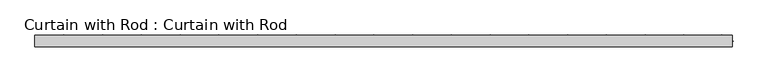
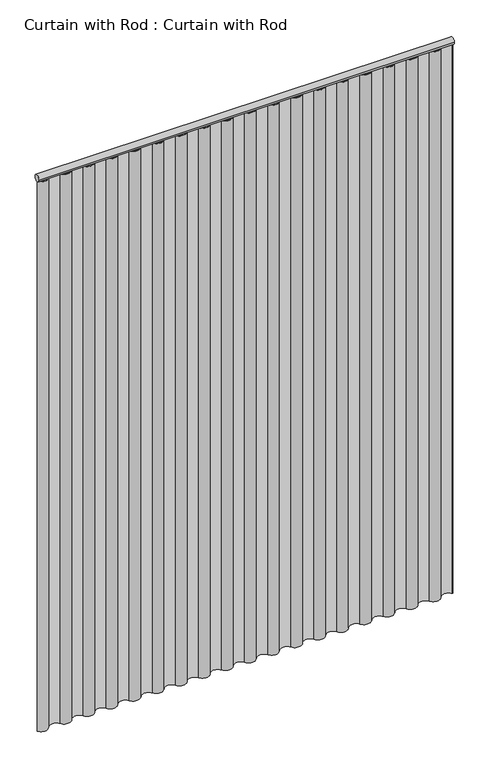
"""IFC4 building model written with IfcOpenShell, lengths in millimetres: proxy geometry, Curtain with Rod : Curtain with Rod."""

import ifcopenshell
import ifcopenshell.guid

model = None  # the IFC model being written
_history = None  # IfcOwnerHistory: only IFC2X3 demands one
_inside = {}  # id of a spatial element -> (the spatial element, [elements in it])
_under = {}  # id of a project, library or spatial element -> (it, [spatial elements below it])
_declared = {}  # id of a project -> (the project, [libraries it declares])
_typed = {}  # id of a type object -> (the type object, [elements of that type])
_made_of = {}  # id of a material, layer set ... -> (it, [elements and type objects made of it])


def new_model(schema):
    """Start an empty IFC model of exactly this schema.

    Asked for "IFC4X3", IfcOpenShell would pick the latest addendum, in which some entities
    have other attributes; the version numbers below select the first issue.
    IFC2X3 requires an IfcOwnerHistory on every rooted entity: one is made here for all.
    """
    global model, _history
    if schema == "IFC4X3":
        model = ifcopenshell.file(schema_version=(4, 3, 0, 0))
    else:
        model = ifcopenshell.file(schema=schema)
    _inside.clear()
    _under.clear()
    _declared.clear()
    _typed.clear()
    _made_of.clear()
    _history = None
    if model.schema == "IFC2X3":
        org = make("IfcOrganization", Name="unknown")
        user = make(
            "IfcPersonAndOrganization",
            ThePerson=make("IfcPerson", FamilyName="unknown"),
            TheOrganization=org,
        )
        app = make(
            "IfcApplication",
            ApplicationDeveloper=org,
            Version="unknown",
            ApplicationFullName="unknown",
            ApplicationIdentifier="unknown",
        )
        _history = make(
            "IfcOwnerHistory",
            OwningUser=user,
            OwningApplication=app,
            ChangeAction="ADDED",
            CreationDate=0,
        )
    return model


def make(cls, **values):
    """One entity of the class cls with the attributes given. An attribute that is None is left unset."""
    return model.create_entity(
        cls, **{name: value for name, value in values.items() if value is not None}
    )


def rooted(cls, **values):
    """An entity with a GlobalId (a new one), such as an element, a storey or a relation."""
    return make(cls, GlobalId=ifcopenshell.guid.new(), OwnerHistory=_history, **values)


def si_unit(unit_type, name, prefix=None):
    """IfcSIUnit, for example si_unit("LENGTHUNIT", "METRE", prefix="MILLI")."""
    return make("IfcSIUnit", UnitType=unit_type, Prefix=prefix, Name=name)


def assignment(units):
    """IfcUnitAssignment: the units of a project."""
    return None if units is None else make("IfcUnitAssignment", Units=units)


def point(xyz):
    """IfcCartesianPoint."""
    return None if xyz is None else make("IfcCartesianPoint", Coordinates=xyz)


def direction(xyz):
    """IfcDirection."""
    return None if xyz is None else make("IfcDirection", DirectionRatios=xyz)


def frame(location, z_axis=None, x_axis=None):
    """IfcAxis2Placement3D, a coordinate frame: its origin and axes. An axis left out is left unset."""
    return make(
        "IfcAxis2Placement3D",
        Location=point(location),
        Axis=direction(z_axis),
        RefDirection=direction(x_axis),
    )


def frame_2d(location, x_axis=None):
    """IfcAxis2Placement2D, a coordinate frame in the plane: its origin and x axis."""
    return make(
        "IfcAxis2Placement2D", Location=point(location), RefDirection=direction(x_axis)
    )


def origin():
    """The frame at (0, 0, 0) with its axes left unset."""
    return frame((0.0, 0.0, 0.0))


def origin_with_axes():
    """The frame at (0, 0, 0) with the z axis (0, 0, 1) and the x axis (1, 0, 0) written out."""
    return frame((0.0, 0.0, 0.0), z_axis=(0.0, 0.0, 1.0), x_axis=(1.0, 0.0, 0.0))


def place(relative_to, where):
    """IfcLocalPlacement: puts the frame where relative to a parent placement (None: the world)."""
    return make(
        "IfcLocalPlacement", PlacementRelTo=relative_to, RelativePlacement=where
    )


def context(
    kind, dimensions, precision=None, world=None, true_north=None, identifier=None
):
    """IfcGeometricRepresentationContext, for example the 3D "Model" context."""
    return make(
        "IfcGeometricRepresentationContext",
        ContextIdentifier=identifier,
        ContextType=kind,
        CoordinateSpaceDimension=dimensions,
        Precision=precision,
        WorldCoordinateSystem=world,
        TrueNorth=true_north,
    )


def project(units=None, contexts=None):
    """IfcProject with its units and contexts."""
    return rooted(
        "IfcProject",
        Name="project",
        RepresentationContexts=contexts,
        UnitsInContext=assignment(units),
    )


def spatial(cls, under=None, at=None, **own):
    """A site, building, storey or space (cls), placed at a placement, below another one or the project."""
    s = rooted(cls, ObjectPlacement=at, **own)
    if under is not None:
        _under.setdefault(under.id(), (under, []))[1].append(s)
    return s


def polyline(points):
    """IfcPolyline through the points."""
    return make("IfcPolyline", Points=[point(p) for p in points])


def circle_curve(where, radius):
    """IfcCircle in the frame where."""
    return make("IfcCircle", Position=where, Radius=radius)


def trimmed(basis, trim1, trim2, sense, master):
    """IfcTrimmedCurve: the piece of a basis curve between two trims."""
    return make(
        "IfcTrimmedCurve",
        BasisCurve=basis,
        Trim1=trim1,
        Trim2=trim2,
        SenseAgreement=sense,
        MasterRepresentation=master,
    )


def segment(curve, same_sense, transition):
    """IfcCompositeCurveSegment."""
    return make(
        "IfcCompositeCurveSegment",
        Transition=transition,
        SameSense=same_sense,
        ParentCurve=curve,
    )


def composite_curve(segments, self_intersect=None):
    """IfcCompositeCurve: segments joined end to end."""
    return make("IfcCompositeCurve", Segments=segments, SelfIntersect=self_intersect)


def outline(outer, holes=None, kind="AREA"):
    """IfcArbitraryClosedProfileDef: a profile drawn as a closed curve; with holes, ...WithVoids."""
    if holes is None:
        return make("IfcArbitraryClosedProfileDef", ProfileType=kind, OuterCurve=outer)
    return make(
        "IfcArbitraryProfileDefWithVoids",
        ProfileType=kind,
        OuterCurve=outer,
        InnerCurves=holes,
    )


def extrude(swept, where, along, depth):
    """IfcExtrudedAreaSolid: the profile swept, set in the frame where, extruded along a direction by depth."""
    return make(
        "IfcExtrudedAreaSolid",
        SweptArea=swept,
        Position=where,
        ExtrudedDirection=direction(along),
        Depth=depth,
    )


def shape(context_of_items, identifier, shape_type, items):
    """IfcShapeRepresentation: the items that make up one representation, for example the "Body"."""
    return make(
        "IfcShapeRepresentation",
        ContextOfItems=context_of_items,
        RepresentationIdentifier=identifier,
        RepresentationType=shape_type,
        Items=items,
    )


def source(mapping_origin, context_of_items, identifier, shape_type, items):
    """IfcRepresentationMap: a shape defined once, which mapped items show again and again."""
    return make(
        "IfcRepresentationMap",
        MappingOrigin=mapping_origin,
        MappedRepresentation=shape(context_of_items, identifier, shape_type, items),
    )


def transform(
    local_origin,
    x_axis=None,
    y_axis=None,
    z_axis=None,
    scale=None,
    scale2=None,
    scale3=None,
    uniform=True,
):
    """IfcCartesianTransformationOperator3D, or its non-uniform kind. x_axis, y_axis, z_axis: its Axis1, 2, 3."""
    if uniform:
        return make(
            "IfcCartesianTransformationOperator3D",
            Axis1=direction(x_axis),
            Axis2=direction(y_axis),
            LocalOrigin=point(local_origin),
            Scale=scale,
            Axis3=direction(z_axis),
        )
    return make(
        "IfcCartesianTransformationOperator3DnonUniform",
        Axis1=direction(x_axis),
        Axis2=direction(y_axis),
        LocalOrigin=point(local_origin),
        Scale=scale,
        Axis3=direction(z_axis),
        Scale2=scale2,
        Scale3=scale3,
    )


def mapped(mapping_source, mapping_target):
    """IfcMappedItem: shows the shape of a source again, moved by a transform."""
    return make(
        "IfcMappedItem", MappingSource=mapping_source, MappingTarget=mapping_target
    )


def made_of(thing, what):
    """Note that an element or type object is made of a material, layer set ...; save() writes the relation."""
    if what is not None:
        _made_of.setdefault(what.id(), (what, []))[1].append(thing)
    return thing


def element(
    cls,
    number,
    at=None,
    inside=None,
    cuts=None,
    type_object=None,
    material=None,
    context=None,
    identifier="Body",
    shape_type=None,
    held_by="IfcProductDefinitionShape",
    body=None,
    shapes=None,
    **own,
):
    """One element of the class cls, such as IfcWall. Its Tag is "e" and its number.

    at: its placement. inside: the storey or other place that contains it. cuts: it is an
    opening in that element (IfcRelVoidsElement). A single representation is given by context,
    identifier, shape_type and body (its items); several are given by shapes. held_by: the class
    of the entity that holds the representations. save() writes the other relations.
    """
    e = rooted(cls, Tag="e%d" % number, ObjectPlacement=at, **own)
    if body is not None:
        shapes = [shape(context, identifier, shape_type, body)]
    if shapes is not None:
        e.Representation = make(held_by, Representations=shapes)
    if inside is not None:
        _inside.setdefault(inside.id(), (inside, []))[1].append(e)
    if cuts is not None:
        rooted(
            "IfcRelVoidsElement", RelatingBuildingElement=cuts, RelatedOpeningElement=e
        )
    if type_object is not None:
        _typed.setdefault(type_object.id(), (type_object, []))[1].append(e)
    return made_of(e, material)


def aggregate(whole, parts):
    """IfcRelAggregates: a whole, such as a stair, and the parts it consists of."""
    return rooted("IfcRelAggregates", RelatingObject=whole, RelatedObjects=parts)


def save(model, path):
    """Write the relations noted so far, then the file.

    IfcRelAggregates (storeys below a building ...), IfcRelContainedInSpatialStructure (elements
    in a storey), IfcRelDefinesByType, IfcRelAssociatesMaterial and IfcRelDeclares: one each for
    every whole, place, type object, material and project.
    """
    for whole, parts in _under.values():
        aggregate(whole, parts)
    for where, things in _inside.values():
        rooted(
            "IfcRelContainedInSpatialStructure",
            RelatedElements=things,
            RelatingStructure=where,
        )
    for kind, things in _typed.values():
        rooted("IfcRelDefinesByType", RelatedObjects=things, RelatingType=kind)
    for what, things in _made_of.values():
        rooted("IfcRelAssociatesMaterial", RelatedObjects=things, RelatingMaterial=what)
    for by, libraries in _declared.values():
        rooted("IfcRelDeclares", RelatingContext=by, RelatedDefinitions=libraries)
    model.write(path)


def curtain_with_rod_curtain_with_rod_59686c79(model_context):
    return source(origin(), model_context, "Body", "SweptSolid", [
        extrude(outline(composite_curve([segment(trimmed(circle_curve(frame_2d((0.0, 2171.7)), 12.7), [point((12.7, 2171.7))], [point((-12.7, 2171.7))], False, "CARTESIAN"), True, "CONTINUOUS"), segment(trimmed(circle_curve(frame_2d((0.0, 2171.7)), 12.7), [point((-12.7, 2171.7))], [point((12.7, 2171.7))], False, "CARTESIAN"), True, "CONTINUOUS")], self_intersect=False)), frame((-772.3272898, 0.0, 0.0), z_axis=(1.0, 0.0, 0.0), x_axis=(0.0, 1.0, 0.0)), (0.0, 0.0, 1.0), 1544.6545796),
        extrude(outline(composite_curve([segment(trimmed(circle_curve(frame_2d((-750.873754, 12.7277487)), 24.9449351), [point((-729.4202181, 0.0))], [point((-772.3272898, 0.0))], False, "CARTESIAN"), True, "CONTINUOUS"), segment(polyline([(-772.3272898, 0.0), (-770.4608883, 0.0)]), True, "CONTINUOUS"), segment(trimmed(circle_curve(frame_2d((-750.873754, 12.7277487)), 23.3591827), [point((-770.4608883, 0.0))], [point((-730.7823233, 0.8119678))], True, "CARTESIAN"), True, "CONTINUOUS"), segment(trimmed(circle_curve(frame_2d((-707.9666823, -12.818643)), 26.5771899), [point((-730.7823233, 0.8119678))], [point((-685.1518778, 0.8133679))], False, "CARTESIAN"), True, "CONTINUOUS"), segment(trimmed(circle_curve(frame_2d((-665.0596106, 12.818643)), 23.4056794), [point((-685.1518778, 0.8133679))], [point((-644.9673435, 0.8133679))], True, "CARTESIAN"), True, "CONTINUOUS"), segment(trimmed(circle_curve(frame_2d((-622.152539, -12.818643)), 26.5771899), [point((-644.9673435, 0.8133679))], [point((-599.3377345, 0.8133679))], False, "CARTESIAN"), True, "CONTINUOUS"), segment(trimmed(circle_curve(frame_2d((-579.2454673, 12.818643)), 23.4056794), [point((-599.3377345, 0.8133679))], [point((-559.1532002, 0.8133679))], True, "CARTESIAN"), True, "CONTINUOUS"), segment(trimmed(circle_curve(frame_2d((-536.3383957, -12.818643)), 26.5771899), [point((-559.1532002, 0.8133679))], [point((-513.5235912, 0.8133679))], False, "CARTESIAN"), True, "CONTINUOUS"), segment(trimmed(circle_curve(frame_2d((-493.431324, 12.818643)), 23.4056794), [point((-513.5235912, 0.8133679))], [point((-473.3390569, 0.8133679))], True, "CARTESIAN"), True, "CONTINUOUS"), segment(trimmed(circle_curve(frame_2d((-450.5242524, -12.818643)), 26.5771899), [point((-473.3390569, 0.8133679))], [point((-427.7094479, 0.8133679))], False, "CARTESIAN"), True, "CONTINUOUS"), segment(trimmed(circle_curve(frame_2d((-407.6171807, 12.818643)), 23.4056794), [point((-427.7094479, 0.8133679))], [point((-387.5249136, 0.8133679))], True, "CARTESIAN"), True, "CONTINUOUS"), segment(trimmed(circle_curve(frame_2d((-364.7101091, -12.818643)), 26.5771899), [point((-387.5249136, 0.8133679))], [point((-341.8953046, 0.8133679))], False, "CARTESIAN"), True, "CONTINUOUS"), segment(trimmed(circle_curve(frame_2d((-321.8030374, 12.818643)), 23.4056794), [point((-341.8953046, 0.8133679))], [point((-301.7107703, 0.8133679))], True, "CARTESIAN"), True, "CONTINUOUS"), segment(trimmed(circle_curve(frame_2d((-278.8959658, -12.818643)), 26.5771899), [point((-301.7107703, 0.8133679))], [point((-256.0811612, 0.8133679))], False, "CARTESIAN"), True, "CONTINUOUS"), segment(trimmed(circle_curve(frame_2d((-235.9888941, 12.818643)), 23.4056794), [point((-256.0811612, 0.8133679))], [point((-215.896627, 0.8133679))], True, "CARTESIAN"), True, "CONTINUOUS"), segment(trimmed(circle_curve(frame_2d((-193.0818224, -12.818643)), 26.5771899), [point((-215.896627, 0.8133679))], [point((-170.2670179, 0.8133679))], False, "CARTESIAN"), True, "CONTINUOUS"), segment(trimmed(circle_curve(frame_2d((-150.1747508, 12.818643)), 23.4056794), [point((-170.2670179, 0.8133679))], [point((-130.0824836, 0.8133679))], True, "CARTESIAN"), True, "CONTINUOUS"), segment(trimmed(circle_curve(frame_2d((-107.2676791, -12.818643)), 26.5771899), [point((-130.0824836, 0.8133679))], [point((-84.4528746, 0.8133679))], False, "CARTESIAN"), True, "CONTINUOUS"), segment(trimmed(circle_curve(frame_2d((-64.3606075, 12.818643)), 23.4056794), [point((-84.4528746, 0.8133679))], [point((-44.2683403, 0.8133679))], True, "CARTESIAN"), True, "CONTINUOUS"), segment(trimmed(circle_curve(frame_2d((-21.4535358, -12.818643)), 26.5771899), [point((-44.2683403, 0.8133679))], [point((1.3612687, 0.8133679))], False, "CARTESIAN"), True, "CONTINUOUS"), segment(trimmed(circle_curve(frame_2d((21.4535358, 12.818643)), 23.4056794), [point((1.3612687, 0.8133679))], [point((41.545803, 0.8133679))], True, "CARTESIAN"), True, "CONTINUOUS"), segment(trimmed(circle_curve(frame_2d((64.3606075, -12.818643)), 26.5771899), [point((41.545803, 0.8133679))], [point((87.175412, 0.8133679))], False, "CARTESIAN"), True, "CONTINUOUS"), segment(trimmed(circle_curve(frame_2d((107.2676791, 12.818643)), 23.4056794), [point((87.175412, 0.8133679))], [point((127.3599463, 0.8133679))], True, "CARTESIAN"), True, "CONTINUOUS"), segment(trimmed(circle_curve(frame_2d((150.1747508, -12.818643)), 26.5771899), [point((127.3599463, 0.8133679))], [point((172.9895553, 0.8133679))], False, "CARTESIAN"), True, "CONTINUOUS"), segment(trimmed(circle_curve(frame_2d((193.0818224, 12.818643)), 23.4056794), [point((172.9895553, 0.8133679))], [point((213.1740896, 0.8133679))], True, "CARTESIAN"), True, "CONTINUOUS"), segment(trimmed(circle_curve(frame_2d((235.9888941, -12.818643)), 26.5771899), [point((213.1740896, 0.8133679))], [point((258.8036986, 0.8133679))], False, "CARTESIAN"), True, "CONTINUOUS"), segment(trimmed(circle_curve(frame_2d((278.8959658, 12.818643)), 23.4056794), [point((258.8036986, 0.8133679))], [point((298.9882329, 0.8133679))], True, "CARTESIAN"), True, "CONTINUOUS"), segment(trimmed(circle_curve(frame_2d((321.8030374, -12.818643)), 26.5771899), [point((298.9882329, 0.8133679))], [point((344.6178419, 0.8133679))], False, "CARTESIAN"), True, "CONTINUOUS"), segment(trimmed(circle_curve(frame_2d((364.7101091, 12.818643)), 23.4056794), [point((344.6178419, 0.8133679))], [point((384.8023762, 0.8133679))], True, "CARTESIAN"), True, "CONTINUOUS"), segment(trimmed(circle_curve(frame_2d((407.6171807, -12.818643)), 26.5771899), [point((384.8023762, 0.8133679))], [point((430.4319852, 0.8133679))], False, "CARTESIAN"), True, "CONTINUOUS"), segment(trimmed(circle_curve(frame_2d((450.5242524, 12.818643)), 23.4056794), [point((430.4319852, 0.8133679))], [point((470.6165195, 0.8133679))], True, "CARTESIAN"), True, "CONTINUOUS"), segment(trimmed(circle_curve(frame_2d((493.431324, -12.818643)), 26.5771899), [point((470.6165195, 0.8133679))], [point((516.2461285, 0.8133679))], False, "CARTESIAN"), True, "CONTINUOUS"), segment(trimmed(circle_curve(frame_2d((536.3383957, 12.818643)), 23.4056794), [point((516.2461285, 0.8133679))], [point((556.4306628, 0.8133679))], True, "CARTESIAN"), True, "CONTINUOUS"), segment(trimmed(circle_curve(frame_2d((579.2454673, -12.818643)), 26.5771899), [point((556.4306628, 0.8133679))], [point((602.0602718, 0.8133679))], False, "CARTESIAN"), True, "CONTINUOUS"), segment(trimmed(circle_curve(frame_2d((622.152539, 12.818643)), 23.4056794), [point((602.0602718, 0.8133679))], [point((642.2448061, 0.8133679))], True, "CARTESIAN"), True, "CONTINUOUS"), segment(trimmed(circle_curve(frame_2d((665.0596106, -12.818643)), 26.5771899), [point((642.2448061, 0.8133679))], [point((687.8767142, 0.8095194))], False, "CARTESIAN"), True, "CONTINUOUS"), segment(trimmed(circle_curve(frame_2d((707.9666823, 12.8088226)), 23.4006431), [point((687.8767142, 0.8095194))], [point((728.038149, 0.7785974))], True, "CARTESIAN"), True, "CONTINUOUS"), segment(trimmed(circle_curve(frame_2d((750.873754, -12.9083681)), 26.6232582), [point((728.038149, 0.7785974))], [point((774.1583392, 0.0))], False, "CARTESIAN"), True, "CONTINUOUS"), segment(polyline([(774.1583392, 0.0), (772.3272898, 0.0)]), True, "CONTINUOUS"), segment(trimmed(circle_curve(frame_2d((750.873754, -12.9083681)), 25.0375751), [point((772.3272898, 0.0))], [point((729.4202181, 0.0))], True, "CARTESIAN"), True, "CONTINUOUS"), segment(trimmed(circle_curve(frame_2d((707.9666823, 12.8088226)), 24.986399), [point((729.4202181, 0.0))], [point((686.5131465, 0.0))], False, "CARTESIAN"), True, "CONTINUOUS"), segment(trimmed(circle_curve(frame_2d((665.0596106, -12.818643)), 24.9914347), [point((686.5131465, 0.0))], [point((643.6060748, 0.0))], True, "CARTESIAN"), True, "CONTINUOUS"), segment(trimmed(circle_curve(frame_2d((622.152539, 12.818643)), 24.9914347), [point((643.6060748, 0.0))], [point((600.6990032, 0.0))], False, "CARTESIAN"), True, "CONTINUOUS"), segment(trimmed(circle_curve(frame_2d((579.2454673, -12.818643)), 24.9914347), [point((600.6990032, 0.0))], [point((557.7919315, 0.0))], True, "CARTESIAN"), True, "CONTINUOUS"), segment(trimmed(circle_curve(frame_2d((536.3383957, 12.818643)), 24.9914347), [point((557.7919315, 0.0))], [point((514.8848599, 0.0))], False, "CARTESIAN"), True, "CONTINUOUS"), segment(trimmed(circle_curve(frame_2d((493.431324, -12.818643)), 24.9914347), [point((514.8848599, 0.0))], [point((471.9777882, 0.0))], True, "CARTESIAN"), True, "CONTINUOUS"), segment(trimmed(circle_curve(frame_2d((450.5242524, 12.818643)), 24.9914347), [point((471.9777882, 0.0))], [point((429.0707165, 0.0))], False, "CARTESIAN"), True, "CONTINUOUS"), segment(trimmed(circle_curve(frame_2d((407.6171807, -12.818643)), 24.9914347), [point((429.0707165, 0.0))], [point((386.1636449, 0.0))], True, "CARTESIAN"), True, "CONTINUOUS"), segment(trimmed(circle_curve(frame_2d((364.7101091, 12.818643)), 24.9914347), [point((386.1636449, 0.0))], [point((343.2565732, 0.0))], False, "CARTESIAN"), True, "CONTINUOUS"), segment(trimmed(circle_curve(frame_2d((321.8030374, -12.818643)), 24.9914347), [point((343.2565732, 0.0))], [point((300.3495016, 0.0))], True, "CARTESIAN"), True, "CONTINUOUS"), segment(trimmed(circle_curve(frame_2d((278.8959658, 12.818643)), 24.9914347), [point((300.3495016, 0.0))], [point((257.4424299, 0.0))], False, "CARTESIAN"), True, "CONTINUOUS"), segment(trimmed(circle_curve(frame_2d((235.9888941, -12.818643)), 24.9914347), [point((257.4424299, 0.0))], [point((214.5353583, 0.0))], True, "CARTESIAN"), True, "CONTINUOUS"), segment(trimmed(circle_curve(frame_2d((193.0818224, 12.818643)), 24.9914347), [point((214.5353583, 0.0))], [point((171.6282866, 0.0))], False, "CARTESIAN"), True, "CONTINUOUS"), segment(trimmed(circle_curve(frame_2d((150.1747508, -12.818643)), 24.9914347), [point((171.6282866, 0.0))], [point((128.721215, 0.0))], True, "CARTESIAN"), True, "CONTINUOUS"), segment(trimmed(circle_curve(frame_2d((107.2676791, 12.818643)), 24.9914347), [point((128.721215, 0.0))], [point((85.8141433, 0.0))], False, "CARTESIAN"), True, "CONTINUOUS"), segment(trimmed(circle_curve(frame_2d((64.3606075, -12.818643)), 24.9914347), [point((85.8141433, 0.0))], [point((42.9070717, 0.0))], True, "CARTESIAN"), True, "CONTINUOUS"), segment(trimmed(circle_curve(frame_2d((21.4535358, 12.818643)), 24.9914347), [point((42.9070717, 0.0))], [point((0.0, 0.0))], False, "CARTESIAN"), True, "CONTINUOUS"), segment(trimmed(circle_curve(frame_2d((-21.4535358, -12.818643)), 24.9914347), [point((0.0, 0.0))], [point((-42.9070717, 0.0))], True, "CARTESIAN"), True, "CONTINUOUS"), segment(trimmed(circle_curve(frame_2d((-64.3606075, 12.818643)), 24.9914347), [point((-42.9070717, 0.0))], [point((-85.8141433, 0.0))], False, "CARTESIAN"), True, "CONTINUOUS"), segment(trimmed(circle_curve(frame_2d((-107.2676791, -12.818643)), 24.9914347), [point((-85.8141433, 0.0))], [point((-128.721215, 0.0))], True, "CARTESIAN"), True, "CONTINUOUS"), segment(trimmed(circle_curve(frame_2d((-150.1747508, 12.818643)), 24.9914347), [point((-128.721215, 0.0))], [point((-171.6282866, 0.0))], False, "CARTESIAN"), True, "CONTINUOUS"), segment(trimmed(circle_curve(frame_2d((-193.0818224, -12.818643)), 24.9914347), [point((-171.6282866, 0.0))], [point((-214.5353583, 0.0))], True, "CARTESIAN"), True, "CONTINUOUS"), segment(trimmed(circle_curve(frame_2d((-235.9888941, 12.818643)), 24.9914347), [point((-214.5353583, 0.0))], [point((-257.4424299, 0.0))], False, "CARTESIAN"), True, "CONTINUOUS"), segment(trimmed(circle_curve(frame_2d((-278.8959658, -12.818643)), 24.9914347), [point((-257.4424299, 0.0))], [point((-300.3495016, 0.0))], True, "CARTESIAN"), True, "CONTINUOUS"), segment(trimmed(circle_curve(frame_2d((-321.8030374, 12.818643)), 24.9914347), [point((-300.3495016, 0.0))], [point((-343.2565732, 0.0))], False, "CARTESIAN"), True, "CONTINUOUS"), segment(trimmed(circle_curve(frame_2d((-364.7101091, -12.818643)), 24.9914347), [point((-343.2565732, 0.0))], [point((-386.1636449, 0.0))], True, "CARTESIAN"), True, "CONTINUOUS"), segment(trimmed(circle_curve(frame_2d((-407.6171807, 12.818643)), 24.9914347), [point((-386.1636449, 0.0))], [point((-429.0707165, 0.0))], False, "CARTESIAN"), True, "CONTINUOUS"), segment(trimmed(circle_curve(frame_2d((-450.5242524, -12.818643)), 24.9914347), [point((-429.0707165, 0.0))], [point((-471.9777882, 0.0))], True, "CARTESIAN"), True, "CONTINUOUS"), segment(trimmed(circle_curve(frame_2d((-493.431324, 12.818643)), 24.9914347), [point((-471.9777882, 0.0))], [point((-514.8848599, 0.0))], False, "CARTESIAN"), True, "CONTINUOUS"), segment(trimmed(circle_curve(frame_2d((-536.3383957, -12.818643)), 24.9914347), [point((-514.8848599, 0.0))], [point((-557.7919315, 0.0))], True, "CARTESIAN"), True, "CONTINUOUS"), segment(trimmed(circle_curve(frame_2d((-579.2454673, 12.818643)), 24.9914347), [point((-557.7919315, 0.0))], [point((-600.6990032, 0.0))], False, "CARTESIAN"), True, "CONTINUOUS"), segment(trimmed(circle_curve(frame_2d((-622.152539, -12.818643)), 24.9914347), [point((-600.6990032, 0.0))], [point((-643.6060748, 0.0))], True, "CARTESIAN"), True, "CONTINUOUS"), segment(trimmed(circle_curve(frame_2d((-665.0596106, 12.818643)), 24.9914347), [point((-643.6060748, 0.0))], [point((-686.5131465, 0.0))], False, "CARTESIAN"), True, "CONTINUOUS"), segment(trimmed(circle_curve(frame_2d((-707.9666823, -12.818643)), 24.9914347), [point((-686.5131465, 0.0))], [point((-729.4202181, 0.0))], True, "CARTESIAN"), True, "CONTINUOUS")], self_intersect=False)), origin_with_axes(), (0.0, 0.0, 1.0), 2159.0),
    ])


if __name__ == "__main__":
    model = new_model("IFC4")
    model_context = context("Model", 3, world=origin())
    ifc_project = project(units=[si_unit("LENGTHUNIT", "METRE", prefix="MILLI")], contexts=[model_context])
    site = spatial("IfcSite", under=ifc_project)
    building = spatial("IfcBuilding", under=site)
    placement = place(None, origin())
    curtain_with_rod_curtain_with_rod_shape = curtain_with_rod_curtain_with_rod_59686c79(model_context)
    element("IfcBuildingElementProxy", 1, Name="Curtain with Rod : Curtain with Rod", ObjectType="Curtain with Rod : Curtain with Rod", at=placement, inside=building, context=model_context, shape_type="MappedRepresentation", body=[
        mapped(curtain_with_rod_curtain_with_rod_shape, transform((0.0, 0.0, 0.0), x_axis=(1.0, 0.0, 0.0), y_axis=(0.0, 1.0, 0.0), z_axis=(0.0, 0.0, 1.0))),
    ])
    save(model, "model.ifc")
